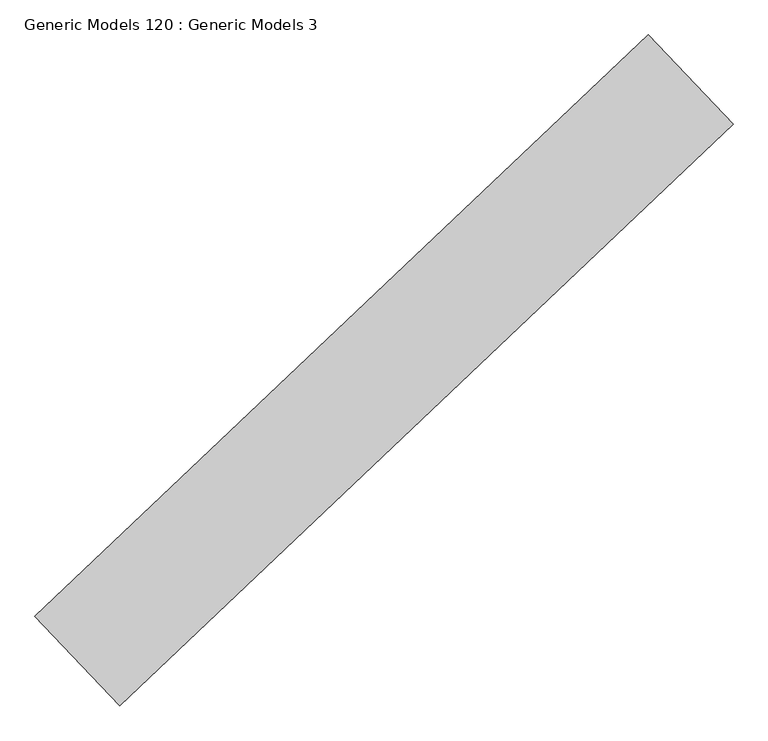
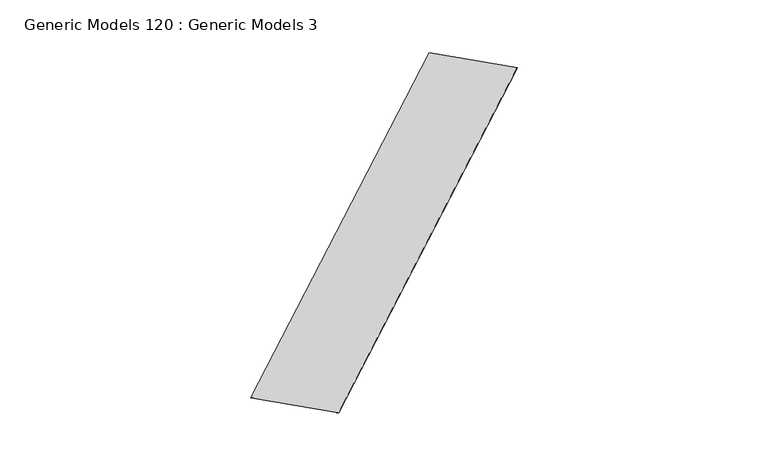
"""IFC4 building model written with IfcOpenShell, lengths in millimetres: proxy geometry, Generic Models 120 : Generic Models 3."""

import ifcopenshell
import ifcopenshell.guid

model = None  # the IFC model being written
_history = None  # IfcOwnerHistory: only IFC2X3 demands one
_inside = {}  # id of a spatial element -> (the spatial element, [elements in it])
_under = {}  # id of a project, library or spatial element -> (it, [spatial elements below it])
_declared = {}  # id of a project -> (the project, [libraries it declares])
_typed = {}  # id of a type object -> (the type object, [elements of that type])
_made_of = {}  # id of a material, layer set ... -> (it, [elements and type objects made of it])


def new_model(schema):
    """Start an empty IFC model of exactly this schema.

    Asked for "IFC4X3", IfcOpenShell would pick the latest addendum, in which some entities
    have other attributes; the version numbers below select the first issue.
    IFC2X3 requires an IfcOwnerHistory on every rooted entity: one is made here for all.
    """
    global model, _history
    if schema == "IFC4X3":
        model = ifcopenshell.file(schema_version=(4, 3, 0, 0))
    else:
        model = ifcopenshell.file(schema=schema)
    _inside.clear()
    _under.clear()
    _declared.clear()
    _typed.clear()
    _made_of.clear()
    _history = None
    if model.schema == "IFC2X3":
        org = make("IfcOrganization", Name="unknown")
        user = make(
            "IfcPersonAndOrganization",
            ThePerson=make("IfcPerson", FamilyName="unknown"),
            TheOrganization=org,
        )
        app = make(
            "IfcApplication",
            ApplicationDeveloper=org,
            Version="unknown",
            ApplicationFullName="unknown",
            ApplicationIdentifier="unknown",
        )
        _history = make(
            "IfcOwnerHistory",
            OwningUser=user,
            OwningApplication=app,
            ChangeAction="ADDED",
            CreationDate=0,
        )
    return model


def make(cls, **values):
    """One entity of the class cls with the attributes given. An attribute that is None is left unset."""
    return model.create_entity(
        cls, **{name: value for name, value in values.items() if value is not None}
    )


def rooted(cls, **values):
    """An entity with a GlobalId (a new one), such as an element, a storey or a relation."""
    return make(cls, GlobalId=ifcopenshell.guid.new(), OwnerHistory=_history, **values)


def si_unit(unit_type, name, prefix=None):
    """IfcSIUnit, for example si_unit("LENGTHUNIT", "METRE", prefix="MILLI")."""
    return make("IfcSIUnit", UnitType=unit_type, Prefix=prefix, Name=name)


def assignment(units):
    """IfcUnitAssignment: the units of a project."""
    return None if units is None else make("IfcUnitAssignment", Units=units)


def point(xyz):
    """IfcCartesianPoint."""
    return None if xyz is None else make("IfcCartesianPoint", Coordinates=xyz)


def direction(xyz):
    """IfcDirection."""
    return None if xyz is None else make("IfcDirection", DirectionRatios=xyz)


def frame(location, z_axis=None, x_axis=None):
    """IfcAxis2Placement3D, a coordinate frame: its origin and axes. An axis left out is left unset."""
    return make(
        "IfcAxis2Placement3D",
        Location=point(location),
        Axis=direction(z_axis),
        RefDirection=direction(x_axis),
    )


def origin():
    """The frame at (0, 0, 0) with its axes left unset."""
    return frame((0.0, 0.0, 0.0))


def place(relative_to, where):
    """IfcLocalPlacement: puts the frame where relative to a parent placement (None: the world)."""
    return make(
        "IfcLocalPlacement", PlacementRelTo=relative_to, RelativePlacement=where
    )


def context(
    kind, dimensions, precision=None, world=None, true_north=None, identifier=None
):
    """IfcGeometricRepresentationContext, for example the 3D "Model" context."""
    return make(
        "IfcGeometricRepresentationContext",
        ContextIdentifier=identifier,
        ContextType=kind,
        CoordinateSpaceDimension=dimensions,
        Precision=precision,
        WorldCoordinateSystem=world,
        TrueNorth=true_north,
    )


def project(units=None, contexts=None):
    """IfcProject with its units and contexts."""
    return rooted(
        "IfcProject",
        Name="project",
        RepresentationContexts=contexts,
        UnitsInContext=assignment(units),
    )


def spatial(cls, under=None, at=None, **own):
    """A site, building, storey or space (cls), placed at a placement, below another one or the project."""
    s = rooted(cls, ObjectPlacement=at, **own)
    if under is not None:
        _under.setdefault(under.id(), (under, []))[1].append(s)
    return s


def polyline(points):
    """IfcPolyline through the points."""
    return make("IfcPolyline", Points=[point(p) for p in points])


def outline(outer, holes=None, kind="AREA"):
    """IfcArbitraryClosedProfileDef: a profile drawn as a closed curve; with holes, ...WithVoids."""
    if holes is None:
        return make("IfcArbitraryClosedProfileDef", ProfileType=kind, OuterCurve=outer)
    return make(
        "IfcArbitraryProfileDefWithVoids",
        ProfileType=kind,
        OuterCurve=outer,
        InnerCurves=holes,
    )


def extrude(swept, where, along, depth):
    """IfcExtrudedAreaSolid: the profile swept, set in the frame where, extruded along a direction by depth."""
    return make(
        "IfcExtrudedAreaSolid",
        SweptArea=swept,
        Position=where,
        ExtrudedDirection=direction(along),
        Depth=depth,
    )


def shape(context_of_items, identifier, shape_type, items):
    """IfcShapeRepresentation: the items that make up one representation, for example the "Body"."""
    return make(
        "IfcShapeRepresentation",
        ContextOfItems=context_of_items,
        RepresentationIdentifier=identifier,
        RepresentationType=shape_type,
        Items=items,
    )


def source(mapping_origin, context_of_items, identifier, shape_type, items):
    """IfcRepresentationMap: a shape defined once, which mapped items show again and again."""
    return make(
        "IfcRepresentationMap",
        MappingOrigin=mapping_origin,
        MappedRepresentation=shape(context_of_items, identifier, shape_type, items),
    )


def transform(
    local_origin,
    x_axis=None,
    y_axis=None,
    z_axis=None,
    scale=None,
    scale2=None,
    scale3=None,
    uniform=True,
):
    """IfcCartesianTransformationOperator3D, or its non-uniform kind. x_axis, y_axis, z_axis: its Axis1, 2, 3."""
    if uniform:
        return make(
            "IfcCartesianTransformationOperator3D",
            Axis1=direction(x_axis),
            Axis2=direction(y_axis),
            LocalOrigin=point(local_origin),
            Scale=scale,
            Axis3=direction(z_axis),
        )
    return make(
        "IfcCartesianTransformationOperator3DnonUniform",
        Axis1=direction(x_axis),
        Axis2=direction(y_axis),
        LocalOrigin=point(local_origin),
        Scale=scale,
        Axis3=direction(z_axis),
        Scale2=scale2,
        Scale3=scale3,
    )


def mapped(mapping_source, mapping_target):
    """IfcMappedItem: shows the shape of a source again, moved by a transform."""
    return make(
        "IfcMappedItem", MappingSource=mapping_source, MappingTarget=mapping_target
    )


def made_of(thing, what):
    """Note that an element or type object is made of a material, layer set ...; save() writes the relation."""
    if what is not None:
        _made_of.setdefault(what.id(), (what, []))[1].append(thing)
    return thing


def element(
    cls,
    number,
    at=None,
    inside=None,
    cuts=None,
    type_object=None,
    material=None,
    context=None,
    identifier="Body",
    shape_type=None,
    held_by="IfcProductDefinitionShape",
    body=None,
    shapes=None,
    **own,
):
    """One element of the class cls, such as IfcWall. Its Tag is "e" and its number.

    at: its placement. inside: the storey or other place that contains it. cuts: it is an
    opening in that element (IfcRelVoidsElement). A single representation is given by context,
    identifier, shape_type and body (its items); several are given by shapes. held_by: the class
    of the entity that holds the representations. save() writes the other relations.
    """
    e = rooted(cls, Tag="e%d" % number, ObjectPlacement=at, **own)
    if body is not None:
        shapes = [shape(context, identifier, shape_type, body)]
    if shapes is not None:
        e.Representation = make(held_by, Representations=shapes)
    if inside is not None:
        _inside.setdefault(inside.id(), (inside, []))[1].append(e)
    if cuts is not None:
        rooted(
            "IfcRelVoidsElement", RelatingBuildingElement=cuts, RelatedOpeningElement=e
        )
    if type_object is not None:
        _typed.setdefault(type_object.id(), (type_object, []))[1].append(e)
    return made_of(e, material)


def aggregate(whole, parts):
    """IfcRelAggregates: a whole, such as a stair, and the parts it consists of."""
    return rooted("IfcRelAggregates", RelatingObject=whole, RelatedObjects=parts)


def save(model, path):
    """Write the relations noted so far, then the file.

    IfcRelAggregates (storeys below a building ...), IfcRelContainedInSpatialStructure (elements
    in a storey), IfcRelDefinesByType, IfcRelAssociatesMaterial and IfcRelDeclares: one each for
    every whole, place, type object, material and project.
    """
    for whole, parts in _under.values():
        aggregate(whole, parts)
    for where, things in _inside.values():
        rooted(
            "IfcRelContainedInSpatialStructure",
            RelatedElements=things,
            RelatingStructure=where,
        )
    for kind, things in _typed.values():
        rooted("IfcRelDefinesByType", RelatedObjects=things, RelatingType=kind)
    for what, things in _made_of.values():
        rooted("IfcRelAssociatesMaterial", RelatedObjects=things, RelatingMaterial=what)
    for by, libraries in _declared.values():
        rooted("IfcRelDeclares", RelatingContext=by, RelatedDefinitions=libraries)
    model.write(path)


def generic_models_120_generic_models_3_4987cbf2(model_context):
    return source(origin(), model_context, "Body", "SweptSolid", [
        extrude(outline(polyline([(105200.6557144, 45752.8591512), (105655.9217051, 45273.1088985), (102369.449908, 42154.3636135), (101914.1839173, 42634.1138662), (105200.6557144, 45752.8591512)])), frame((0.0, 0.0, 17821.1840829), z_axis=(0.0, 0.0, 1.0), x_axis=(1.0, 0.0, 0.0)), (0.0, 0.0, 1.0), 1.5875),
    ])


if __name__ == "__main__":
    model = new_model("IFC4")
    model_context = context("Model", 3, world=origin())
    ifc_project = project(units=[si_unit("LENGTHUNIT", "METRE", prefix="MILLI")], contexts=[model_context])
    site = spatial("IfcSite", under=ifc_project)
    building = spatial("IfcBuilding", under=site)
    placement = place(None, origin())
    generic_models_120_generic_models_3_shape = generic_models_120_generic_models_3_4987cbf2(model_context)
    element("IfcBuildingElementProxy", 1, Name="Generic Models 120 : Generic Models 3", ObjectType="Generic Models 120 : Generic Models 3", at=placement, inside=building, context=model_context, shape_type="MappedRepresentation", body=[
        mapped(generic_models_120_generic_models_3_shape, transform((0.0, 0.0, 0.0), x_axis=(1.0, 0.0, 0.0), y_axis=(0.0, 1.0, 0.0), z_axis=(0.0, 0.0, 1.0))),
    ])
    save(model, "model.ifc")
